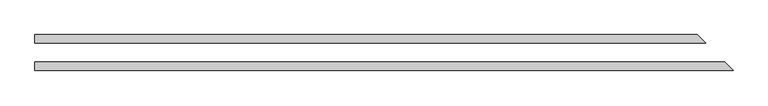
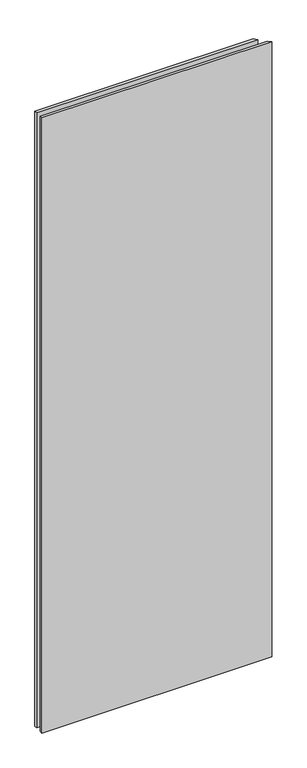
"""IFC4 building model written with IfcOpenShell, lengths in millimetres: plate geometry."""

from ifc_helpers import new_model, si_unit, origin, origin_with_axes, place, context, project, spatial, polyline, outline, extrude, source, transform, mapped, element, save


def plate_c5fc34e2(model_context):
    return source(origin(), model_context, "Body", "SweptSolid", [
        extrude(outline(polyline([(538.1625, -26.9875), (-511.175, -26.9875), (-511.175, -14.2875), (525.4625, -14.2875), (538.1625, -26.9875)])), origin_with_axes(), (0.0, 0.0, 1.0), 2965.45),
        extrude(outline(polyline([(484.1875, 26.9875), (496.8875, 14.2875), (-511.175, 14.2875), (-511.175, 26.9875), (484.1875, 26.9875)])), origin_with_axes(), (0.0, 0.0, 1.0), 2965.45),
    ])


if __name__ == "__main__":
    model = new_model("IFC4")
    model_context = context("Model", 3, world=origin())
    ifc_project = project(units=[si_unit("LENGTHUNIT", "METRE", prefix="MILLI")], contexts=[model_context])
    site = spatial("IfcSite", under=ifc_project)
    building = spatial("IfcBuilding", under=site)
    placement = place(None, origin())
    plate_shape = plate_c5fc34e2(model_context)
    element("IfcPlate", 1, at=placement, inside=building, context=model_context, shape_type="MappedRepresentation", body=[
        mapped(plate_shape, transform((0.0, 0.0, 0.0), x_axis=(1.0, 0.0, 0.0), y_axis=(0.0, 1.0, 0.0), z_axis=(0.0, 0.0, 1.0))),
    ])
    save(model, "model.ifc")
